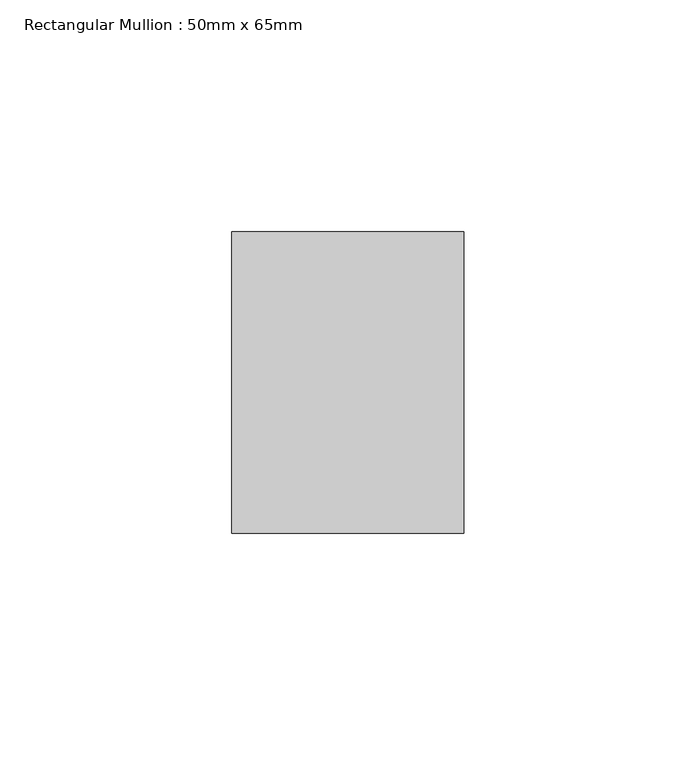
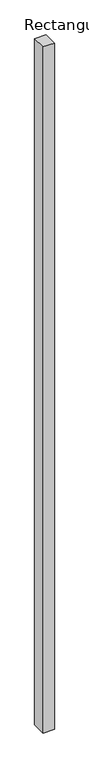
"""IFC4 building model written with IfcOpenShell, lengths in millimetres: member geometry, Rectangular Mullion : 50mm x 65mm."""

from ifc_helpers import new_model, si_unit, frame, origin, place, context, project, spatial, polyline, outline, extrude, source, transform, mapped, element, save


def rectangular_mullion_50mm_x_65mm_91d5178a(model_context):
    return source(origin(), model_context, "Body", "SweptSolid", [
        extrude(outline(polyline([(25.0, 32.5), (25.0, -32.5), (-25.0, -32.5), (-25.0, 32.5), (25.0, 32.5)])), frame((0.0, 0.0, -3235.2673199), z_axis=(0.0, 0.0, 1.0), x_axis=(1.0, 0.0, 0.0)), (0.0, 0.0, 1.0), 3235.2673199),
    ])


if __name__ == "__main__":
    model = new_model("IFC4")
    model_context = context("Model", 3, world=origin())
    ifc_project = project(units=[si_unit("LENGTHUNIT", "METRE", prefix="MILLI")], contexts=[model_context])
    site = spatial("IfcSite", under=ifc_project)
    building = spatial("IfcBuilding", under=site)
    placement = place(None, origin())
    rectangular_mullion_50mm_x_65mm_shape = rectangular_mullion_50mm_x_65mm_91d5178a(model_context)
    element("IfcMember", 1, ObjectType="Rectangular Mullion : 50mm x 65mm", at=placement, inside=building, context=model_context, shape_type="MappedRepresentation", body=[
        mapped(rectangular_mullion_50mm_x_65mm_shape, transform((0.0, 0.0, 0.0), x_axis=(1.0, 0.0, 0.0), y_axis=(0.0, 1.0, 0.0), z_axis=(0.0, 0.0, 1.0))),
    ])
    save(model, "model.ifc")
